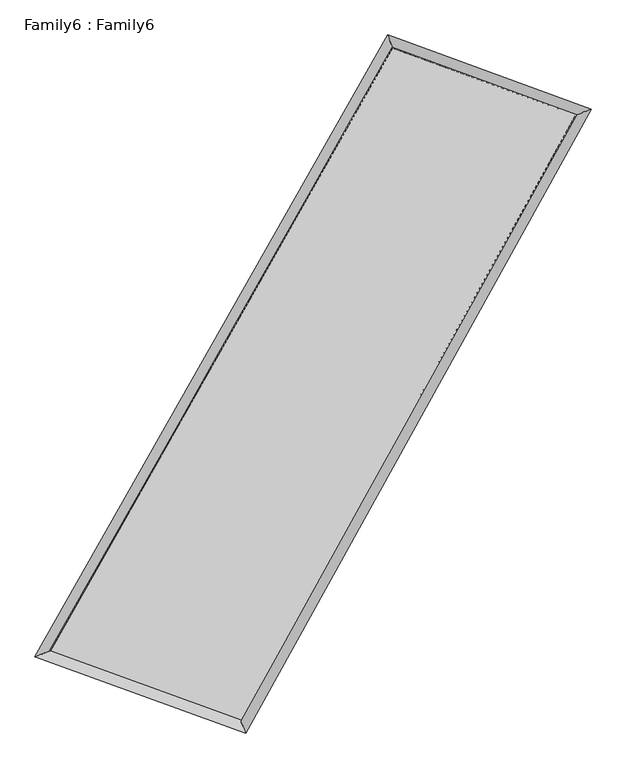
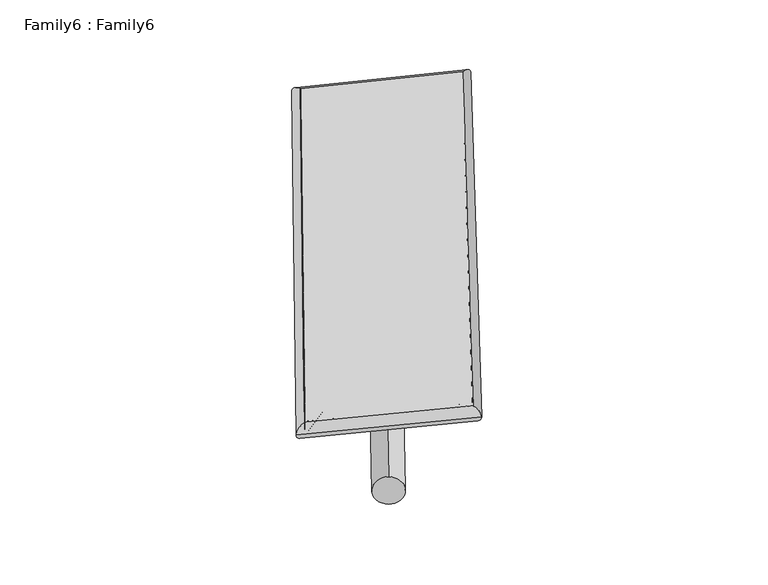
"""IFC4 building model written with IfcOpenShell, lengths in millimetres: plate geometry, Family6 : Family6."""

from ifc_helpers import new_model, si_unit, point, frame, origin, origin_2d, place, context, project, spatial, circle_curve, ellipse_curve, trimmed, segment, composite_curve, outline, extrude, source, transform, mapped, element, save
from ifc_brep_helpers import plane_surface, cylinder_surface, spline_surface, advanced_brep


def family6_family6_22b56589(model_context):
    return source(origin(), model_context, "Body", "SolidModel", [
        extrude(outline(composite_curve([segment(trimmed(circle_curve(origin_2d(), 76.2), [point((-75.4341515, -10.7763073))], [point((75.4341515, 10.7763073))], False, "CARTESIAN"), True, "CONTINUOUS"), segment(trimmed(circle_curve(origin_2d(), 76.2), [point((75.4341515, 10.7763073))], [point((-75.4341515, -10.7763073))], False, "CARTESIAN"), True, "CONTINUOUS")], self_intersect=False)), frame((9144.0, 9144.0, 0.0), z_axis=(0.6740603973114031, 0.6919208682082221, 0.2586273243769373), x_axis=(-0.6824794632721471, 0.7173098868490241, -0.14031503283826113)), (0.0, 0.0, 1.0), 5921.3529797),
        extrude(outline(composite_curve([segment(trimmed(circle_curve(origin_2d(), 76.2), [point((-53.8815368, 53.8815368))], [point((53.8815368, -53.8815368))], False, "CARTESIAN"), True, "CONTINUOUS"), segment(trimmed(circle_curve(origin_2d(), 76.2), [point((53.8815368, -53.8815368))], [point((-53.8815368, 53.8815368))], False, "CARTESIAN"), True, "CONTINUOUS")], self_intersect=False)), frame((9144.0, 9144.0, 0.0), z_axis=(-0.6801853880137239, -0.6863506204774861, 0.2574308911199082), x_axis=(0.6308828960215634, -0.36928090464510244, 0.6823623560630672)), (0.0, 0.0, 1.0), 5948.5794403),
        extrude(outline(composite_curve([segment(trimmed(circle_curve(origin_2d(), 76.2), [point((-53.8815367, -53.8815367))], [point((53.8815367, 53.8815367))], False, "CARTESIAN"), True, "CONTINUOUS"), segment(trimmed(circle_curve(origin_2d(), 76.2), [point((53.8815367, 53.8815367))], [point((-53.8815367, -53.8815367))], False, "CARTESIAN"), True, "CONTINUOUS")], self_intersect=False)), frame((9144.0, 9144.0, 0.0), z_axis=(0.21553928788233437, 0.9364279728212095, 0.27684917752656685), x_axis=(-0.8503447186547061, 0.31937212056102876, -0.41822877479245807)), (0.0, 0.0, 1.0), 5474.1537594),
        extrude(outline(composite_curve([segment(trimmed(circle_curve(origin_2d(), 76.2), [point((-75.4341515, 10.7763073))], [point((75.4341515, -10.7763073))], False, "CARTESIAN"), True, "CONTINUOUS"), segment(trimmed(circle_curve(origin_2d(), 76.2), [point((75.4341515, -10.7763073))], [point((-75.4341515, 10.7763073))], False, "CARTESIAN"), True, "CONTINUOUS")], self_intersect=False)), frame((9144.0, 9144.0, 0.0), z_axis=(-0.20569186236239667, -0.9386762172040359, 0.27672697196589), x_axis=(0.8966129522120685, -0.06745367221666192, 0.43764736492985545)), (0.0, 0.0, 1.0), 5477.8307272),
        advanced_brep(
        [(4876.2657619, 4979.4733943, 1530.3831522), (4876.2588534, 4979.4643206, 1532.6466802), (5319.4606087, 5142.9042261, 1532.3130603), (10392.726265, 14082.6715231, 1516.9427513), (10255.0641412, 14457.6298926, 1514.0871806), (5319.4675171, 5142.9132998, 1530.0495322), (12915.7528178, 13159.1982836, 1531.2193846), (13354.9462664, 13323.0171058, 1531.6279711), (7946.9665715, 4189.7079804, 1516.1131485), (8087.5430206, 3814.4731687, 1515.6138717)],
        [
            (0, 1, ellipse_curve(frame((5097.8631853, 5061.1888102, 1531.3481062), z_axis=(-0.3459912863120362, 0.9382338261715079, 0.00270503673086217), x_axis=(-0.9382248482145215, -0.3460002049523464, 0.004241740889390097)), 236.1973366, 152.4)),
            (1, 2, ellipse_curve(frame((5097.8631853, 5061.1888102, 1531.3481062), z_axis=(-0.3459912863120362, 0.9382338261715079, 0.00270503673086217), x_axis=(-0.9382248482145215, -0.3460002049523464, 0.004241740889390097)), 236.1973366, 152.4)),
            (2, 3),
            (3, 4, ellipse_curve(frame((10323.8952031, 14270.1507078, 1515.5149659), z_axis=(-0.9387235914374714, -0.34466180358954285, -0.0025020042243047184), x_axis=(0.3446457288224623, -0.9387180486192431, 0.005267523223855539)), 199.720554, 152.4)),
            (4, 0),
            (2, 5, ellipse_curve(frame((5097.8631853, 5061.1888102, 1531.3481062), z_axis=(-0.3459912863120362, 0.9382338261715079, 0.00270503673086217), x_axis=(-0.9382248482145215, -0.3460002049523464, 0.004241740889390097)), 236.1973366, 152.4)),
            (5, 0, ellipse_curve(frame((5097.8631853, 5061.1888102, 1531.3481062), z_axis=(-0.3459912863120362, 0.9382338261715079, 0.00270503673086217), x_axis=(-0.9382248482145215, -0.3460002049523464, 0.004241740889390097)), 236.1973366, 152.4)),
            (4, 3, ellipse_curve(frame((10323.8952031, 14270.1507078, 1515.5149659), z_axis=(-0.9387235914374714, -0.34466180358954285, -0.0025020042243047184), x_axis=(0.3446457288224623, -0.9387180486192431, 0.005267523223855539)), 199.720554, 152.4)),
            (3, 6),
            (6, 7, ellipse_curve(frame((13135.3495421, 13241.1076947, 1531.4236778), z_axis=(-0.34947547927812694, 0.9369408563373197, -0.0029531524196590507), x_axis=(-0.9369309855085652, -0.34948587595018565, -0.0044666436258520925)), 234.3776523, 152.4)),
            (7, 4),
            (7, 6, ellipse_curve(frame((13135.3495421, 13241.1076947, 1531.4236778), z_axis=(-0.34947547927812694, 0.9369408563373197, -0.0029531524196590507), x_axis=(-0.9369309855085652, -0.34948587595018565, -0.0044666436258520925)), 234.3776523, 152.4)),
            (6, 8),
            (8, 9, ellipse_curve(frame((8017.254796, 4002.0905746, 1515.8635101), z_axis=(0.9364377054848916, 0.3508262989938263, -0.002309043197038081), x_axis=(-0.35081213466549643, 0.9364326426017716, 0.004975142339672084)), 200.352675, 152.4)),
            (9, 7),
            (9, 8, ellipse_curve(frame((8017.254796, 4002.0905746, 1515.8635101), z_axis=(0.9364377054848916, 0.3508262989938263, -0.002309043197038081), x_axis=(-0.35081213466549643, 0.9364326426017716, 0.004975142339672084)), 200.352675, 152.4)),
            (8, 5),
            (1, 9),
        ],
        [
            cylinder_surface(frame((5097.8631853, 5061.1888102, 1531.3481062), z_axis=(-0.4935566729915038, -0.8697123516344333, 0.0014953126970658486), x_axis=(-0.8696907569823644, 0.493530487995711, -0.008102137875746963)), 152.4),
            cylinder_surface(frame((10323.8952031, 14270.1507078, 1515.5149659), z_axis=(-0.939059775284889, 0.34371282054895425, -0.005313702304071602), x_axis=(0.3437378916338369, 0.9390530149398306, -0.004867955170184982)), 152.4),
            cylinder_surface(frame((13135.3495421, 13241.1076947, 1531.4236778), z_axis=(0.48457904713264, 0.8747462355866857, 0.0014732301061263983), x_axis=(0.8747473932937418, -0.48457904713263994, -0.0003807963059120075)), 152.4),
            cylinder_surface(frame((8017.254796, 4002.0905746, 1515.8635101), z_axis=(0.9400398789072779, -0.3410281010308494, -0.0049860175774946594), x_axis=(-0.3410189059362799, -0.9400527948278311, 0.002617007911050429)), 152.4),
        ],
        [
            (0, [[1, 2, 3, 4, 5]]),
            (0, [[6, 7, -5, 8, -3]]),
            (1, [[-4, 9, 10, 11]]),
            (1, [[-8, -11, 12, -9]]),
            (2, [[-10, 13, 14, 15]]),
            (2, [[-12, -15, 16, -13]]),
            (3, [[-14, 17, -6, -2, 18]]),
            (3, [[-16, -18, -1, -7, -17]]),
        ],
    ),
        extrude(outline(composite_curve([segment(trimmed(circle_curve(origin_2d(), 304.8), [point((0.0, -304.8))], [point((0.0, 304.8))], False, "CARTESIAN"), True, "CONTINUOUS"), segment(trimmed(circle_curve(origin_2d(), 304.8), [point((0.0, 304.8))], [point((0.0, -304.8))], False, "CARTESIAN"), True, "CONTINUOUS")], self_intersect=False)), frame((6544.2173997, 4517.1853803, -0.0035655), z_axis=(0.48986032107574257, 0.8718009324582758, 6.718281845196348e-07), x_axis=(-0.871800932458517, 0.48986032107574257, 1.758210312163404e-07)), (0.0, 0.0, 1.0), 10614.3832781),
        advanced_brep(
        [(5097.8631853, 5061.1888102, 1531.3481062), (8017.254796, 4002.0905746, 1515.8635101), (8017.2586789, 4002.0907607, 1668.26351), (5097.8670681, 5061.1889963, 1683.7481062), (13135.3495421, 13241.1076947, 1531.4236778), (13135.353425, 13241.1078808, 1683.8236778), (10323.8952031, 14270.1507078, 1515.5149659), (10323.8990859, 14270.1508939, 1667.9149659)],
        [
            (0, 1),
            (1, 2),
            (2, 3),
            (3, 0),
            (1, 4),
            (4, 5),
            (5, 2),
            (4, 6),
            (6, 7),
            (7, 5),
            (6, 0),
            (3, 7),
        ],
        [
            plane_surface(frame((6557.5589906, 4531.6396924, 1523.6058081), z_axis=(-0.34103229402938434, -0.940051580676451, 9.836765329207173e-06), x_axis=(0.940039878907278, -0.3410281010308495, -0.004986017577494653))),
            plane_surface(frame((10576.3021691, 8621.5991346, 1523.6435939), z_axis=(0.8747472001481797, -0.4845795449275989, -2.1695201250815778e-05), x_axis=(0.4845790471326403, 0.8747462355866854, 0.001473230106126402))),
            plane_surface(frame((11729.6223726, 13755.6292013, 1523.4693219), z_axis=(0.34371772249603105, 0.9390730148098457, -9.903990094975315e-06), x_axis=(-0.939059775284889, 0.3437128205489541, -0.0053137023040716))),
            plane_surface(frame((7710.8791942, 9665.669759, 1523.4315361), z_axis=(-0.8697133078462276, 0.4935572526977114, 2.1555984378417137e-05), x_axis=(-0.4935566729915038, -0.8697123516344332, 0.0014953126970658481))),
            spline_surface(1, 1, [[(8017.2586789, 4002.0907607, 1668.26351), (5097.8670681, 5061.1889963, 1683.7481062)], [(13135.353425, 13241.1078808, 1683.8236778), (10323.8990859, 14270.1508939, 1667.9149659)]], [2, 2], [2, 2], [0.0, 1.0], [0.0, 1.0]),
            spline_surface(1, 1, [[(10323.8952031, 14270.1507078, 1515.5149659), (5097.8631853, 5061.1888102, 1531.3481062)], [(13135.3495421, 13241.1076947, 1531.4236778), (8017.254796, 4002.0905746, 1515.8635101)]], [2, 2], [2, 2], [0.0, 1.0], [0.0, 1.0]),
        ],
        [
            (0, [[1, 2, 3, 4]]),
            (1, [[5, 6, 7, -2]]),
            (2, [[8, 9, 10, -6]]),
            (3, [[11, -4, 12, -9]]),
            (4, [[-3, -7, -10, -12]]),
            (5, [[-11, -8, -5, -1]]),
        ],
    ),
    ])


if __name__ == "__main__":
    model = new_model("IFC4")
    model_context = context("Model", 3, world=origin())
    ifc_project = project(units=[si_unit("LENGTHUNIT", "METRE", prefix="MILLI")], contexts=[model_context])
    site = spatial("IfcSite", under=ifc_project)
    building = spatial("IfcBuilding", under=site)
    placement = place(None, origin())
    family6_family6_shape = family6_family6_22b56589(model_context)
    element("IfcPlate", 1, ObjectType="Family6 : Family6", at=placement, inside=building, context=model_context, shape_type="MappedRepresentation", body=[
        mapped(family6_family6_shape, transform((0.0, 0.0, 0.0), x_axis=(1.0, 0.0, 0.0), y_axis=(0.0, 1.0, 0.0), z_axis=(0.0, 0.0, 1.0))),
    ])
    save(model, "model.ifc")
